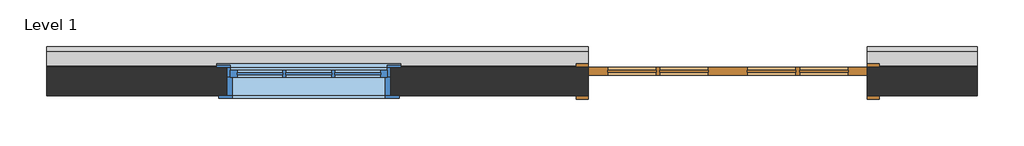
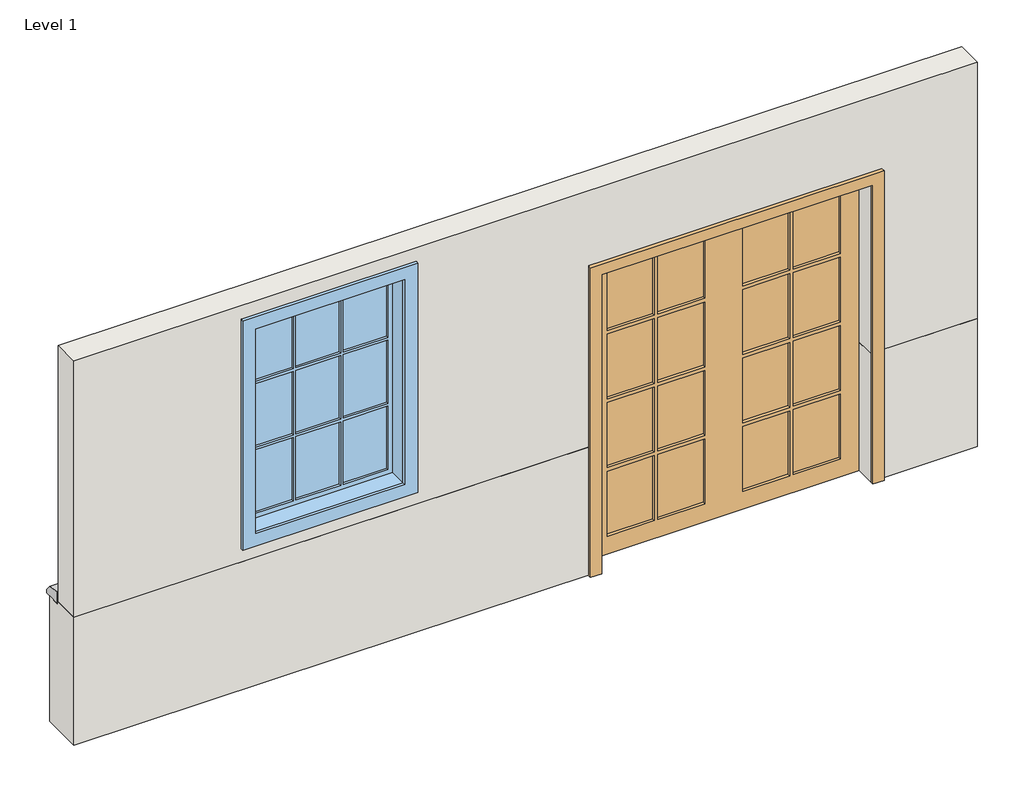
# One storey: 2 walls, 1 door, 1 proxy, 1 window.
"""IFC4 building model written with IfcOpenShell, lengths in millimetres."""

import ifcopenshell
import ifcopenshell.guid

model = None  # the IFC model being written
_history = None  # IfcOwnerHistory: only IFC2X3 demands one
_inside = {}  # id of a spatial element -> (the spatial element, [elements in it])
_under = {}  # id of a project, library or spatial element -> (it, [spatial elements below it])
_declared = {}  # id of a project -> (the project, [libraries it declares])
_typed = {}  # id of a type object -> (the type object, [elements of that type])
_made_of = {}  # id of a material, layer set ... -> (it, [elements and type objects made of it])


def new_model(schema):
    """Start an empty IFC model of exactly this schema.

    Asked for "IFC4X3", IfcOpenShell would pick the latest addendum, in which some entities
    have other attributes; the version numbers below select the first issue.
    IFC2X3 requires an IfcOwnerHistory on every rooted entity: one is made here for all.
    """
    global model, _history
    if schema == "IFC4X3":
        model = ifcopenshell.file(schema_version=(4, 3, 0, 0))
    else:
        model = ifcopenshell.file(schema=schema)
    _inside.clear()
    _under.clear()
    _declared.clear()
    _typed.clear()
    _made_of.clear()
    _history = None
    if model.schema == "IFC2X3":
        org = make("IfcOrganization", Name="unknown")
        user = make(
            "IfcPersonAndOrganization",
            ThePerson=make("IfcPerson", FamilyName="unknown"),
            TheOrganization=org,
        )
        app = make(
            "IfcApplication",
            ApplicationDeveloper=org,
            Version="unknown",
            ApplicationFullName="unknown",
            ApplicationIdentifier="unknown",
        )
        _history = make(
            "IfcOwnerHistory",
            OwningUser=user,
            OwningApplication=app,
            ChangeAction="ADDED",
            CreationDate=0,
        )
    return model


def make(cls, **values):
    """One entity of the class cls with the attributes given. An attribute that is None is left unset."""
    return model.create_entity(
        cls, **{name: value for name, value in values.items() if value is not None}
    )


def rooted(cls, **values):
    """An entity with a GlobalId (a new one), such as an element, a storey or a relation."""
    return make(cls, GlobalId=ifcopenshell.guid.new(), OwnerHistory=_history, **values)


def si_unit(unit_type, name, prefix=None):
    """IfcSIUnit, for example si_unit("LENGTHUNIT", "METRE", prefix="MILLI")."""
    return make("IfcSIUnit", UnitType=unit_type, Prefix=prefix, Name=name)


def assignment(units):
    """IfcUnitAssignment: the units of a project."""
    return None if units is None else make("IfcUnitAssignment", Units=units)


def point(xyz):
    """IfcCartesianPoint."""
    return None if xyz is None else make("IfcCartesianPoint", Coordinates=xyz)


def direction(xyz):
    """IfcDirection."""
    return None if xyz is None else make("IfcDirection", DirectionRatios=xyz)


def frame(location, z_axis=None, x_axis=None):
    """IfcAxis2Placement3D, a coordinate frame: its origin and axes. An axis left out is left unset."""
    return make(
        "IfcAxis2Placement3D",
        Location=point(location),
        Axis=direction(z_axis),
        RefDirection=direction(x_axis),
    )


def origin():
    """The frame at (0, 0, 0) with its axes left unset."""
    return frame((0.0, 0.0, 0.0))


def place(relative_to, where):
    """IfcLocalPlacement: puts the frame where relative to a parent placement (None: the world)."""
    return make(
        "IfcLocalPlacement", PlacementRelTo=relative_to, RelativePlacement=where
    )


def context(
    kind, dimensions, precision=None, world=None, true_north=None, identifier=None
):
    """IfcGeometricRepresentationContext, for example the 3D "Model" context."""
    return make(
        "IfcGeometricRepresentationContext",
        ContextIdentifier=identifier,
        ContextType=kind,
        CoordinateSpaceDimension=dimensions,
        Precision=precision,
        WorldCoordinateSystem=world,
        TrueNorth=true_north,
    )


def project(units=None, contexts=None):
    """IfcProject with its units and contexts."""
    return rooted(
        "IfcProject",
        Name="project",
        RepresentationContexts=contexts,
        UnitsInContext=assignment(units),
    )


def spatial(cls, under=None, at=None, **own):
    """A site, building, storey or space (cls), placed at a placement, below another one or the project."""
    s = rooted(cls, ObjectPlacement=at, **own)
    if under is not None:
        _under.setdefault(under.id(), (under, []))[1].append(s)
    return s


def polyline(points):
    """IfcPolyline through the points."""
    return make("IfcPolyline", Points=[point(p) for p in points])


def outline(outer, holes=None, kind="AREA"):
    """IfcArbitraryClosedProfileDef: a profile drawn as a closed curve; with holes, ...WithVoids."""
    if holes is None:
        return make("IfcArbitraryClosedProfileDef", ProfileType=kind, OuterCurve=outer)
    return make(
        "IfcArbitraryProfileDefWithVoids",
        ProfileType=kind,
        OuterCurve=outer,
        InnerCurves=holes,
    )


def extrude(swept, where, along, depth):
    """IfcExtrudedAreaSolid: the profile swept, set in the frame where, extruded along a direction by depth."""
    return make(
        "IfcExtrudedAreaSolid",
        SweptArea=swept,
        Position=where,
        ExtrudedDirection=direction(along),
        Depth=depth,
    )


def faces_of(points, faces, orient=None, outer=None):
    """IfcFace entities. A face is a list of loops; a loop is a list of indices into points, from 0.

    orient and outer hold one flag for each loop. By default every Orientation is true, the
    first loop of a face is its IfcFaceOuterBound and the others are IfcFaceBound.
    """
    made = []
    for i, loops in enumerate(faces):
        bounds = []
        for j, loop in enumerate(loops):
            is_outer = j == 0 if outer is None else outer[i][j]
            bounds.append(
                make(
                    "IfcFaceOuterBound" if is_outer else "IfcFaceBound",
                    Bound=make("IfcPolyLoop", Polygon=[points[k] for k in loop]),
                    Orientation=True if orient is None else orient[i][j],
                )
            )
        made.append(make("IfcFace", Bounds=bounds))
    return made


def faceted_brep(points, faces, orient=None, outer=None, voids=None):
    """IfcFacetedBrep: a solid bounded by flat faces; with voids (closed shells), ...WithVoids."""
    shared = [point(p) for p in points]
    hull = make("IfcClosedShell", CfsFaces=faces_of(shared, faces, orient, outer))
    if voids is None:
        return make("IfcFacetedBrep", Outer=hull)
    return make(
        "IfcFacetedBrepWithVoids",
        Outer=hull,
        Voids=[
            make(cls, CfsFaces=faces_of(shared, fs, o, b)) for cls, fs, o, b in voids
        ],
    )


def shape(context_of_items, identifier, shape_type, items):
    """IfcShapeRepresentation: the items that make up one representation, for example the "Body"."""
    return make(
        "IfcShapeRepresentation",
        ContextOfItems=context_of_items,
        RepresentationIdentifier=identifier,
        RepresentationType=shape_type,
        Items=items,
    )


def source(mapping_origin, context_of_items, identifier, shape_type, items):
    """IfcRepresentationMap: a shape defined once, which mapped items show again and again."""
    return make(
        "IfcRepresentationMap",
        MappingOrigin=mapping_origin,
        MappedRepresentation=shape(context_of_items, identifier, shape_type, items),
    )


def transform(
    local_origin,
    x_axis=None,
    y_axis=None,
    z_axis=None,
    scale=None,
    scale2=None,
    scale3=None,
    uniform=True,
):
    """IfcCartesianTransformationOperator3D, or its non-uniform kind. x_axis, y_axis, z_axis: its Axis1, 2, 3."""
    if uniform:
        return make(
            "IfcCartesianTransformationOperator3D",
            Axis1=direction(x_axis),
            Axis2=direction(y_axis),
            LocalOrigin=point(local_origin),
            Scale=scale,
            Axis3=direction(z_axis),
        )
    return make(
        "IfcCartesianTransformationOperator3DnonUniform",
        Axis1=direction(x_axis),
        Axis2=direction(y_axis),
        LocalOrigin=point(local_origin),
        Scale=scale,
        Axis3=direction(z_axis),
        Scale2=scale2,
        Scale3=scale3,
    )


def mapped(mapping_source, mapping_target):
    """IfcMappedItem: shows the shape of a source again, moved by a transform."""
    return make(
        "IfcMappedItem", MappingSource=mapping_source, MappingTarget=mapping_target
    )


def made_of(thing, what):
    """Note that an element or type object is made of a material, layer set ...; save() writes the relation."""
    if what is not None:
        _made_of.setdefault(what.id(), (what, []))[1].append(thing)
    return thing


def element(
    cls,
    number,
    at=None,
    inside=None,
    cuts=None,
    type_object=None,
    material=None,
    context=None,
    identifier="Body",
    shape_type=None,
    held_by="IfcProductDefinitionShape",
    body=None,
    shapes=None,
    **own,
):
    """One element of the class cls, such as IfcWall. Its Tag is "e" and its number.

    at: its placement. inside: the storey or other place that contains it. cuts: it is an
    opening in that element (IfcRelVoidsElement). A single representation is given by context,
    identifier, shape_type and body (its items); several are given by shapes. held_by: the class
    of the entity that holds the representations. save() writes the other relations.
    """
    e = rooted(cls, Tag="e%d" % number, ObjectPlacement=at, **own)
    if body is not None:
        shapes = [shape(context, identifier, shape_type, body)]
    if shapes is not None:
        e.Representation = make(held_by, Representations=shapes)
    if inside is not None:
        _inside.setdefault(inside.id(), (inside, []))[1].append(e)
    if cuts is not None:
        rooted(
            "IfcRelVoidsElement", RelatingBuildingElement=cuts, RelatedOpeningElement=e
        )
    if type_object is not None:
        _typed.setdefault(type_object.id(), (type_object, []))[1].append(e)
    return made_of(e, material)


def aggregate(whole, parts):
    """IfcRelAggregates: a whole, such as a stair, and the parts it consists of."""
    return rooted("IfcRelAggregates", RelatingObject=whole, RelatedObjects=parts)


def save(model, path):
    """Write the relations noted so far, then the file.

    IfcRelAggregates (storeys below a building ...), IfcRelContainedInSpatialStructure (elements
    in a storey), IfcRelDefinesByType, IfcRelAssociatesMaterial and IfcRelDeclares: one each for
    every whole, place, type object, material and project.
    """
    for whole, parts in _under.values():
        aggregate(whole, parts)
    for where, things in _inside.values():
        rooted(
            "IfcRelContainedInSpatialStructure",
            RelatedElements=things,
            RelatingStructure=where,
        )
    for kind, things in _typed.values():
        rooted("IfcRelDefinesByType", RelatedObjects=things, RelatingType=kind)
    for what, things in _made_of.values():
        rooted("IfcRelAssociatesMaterial", RelatedObjects=things, RelatingMaterial=what)
    for by, libraries in _declared.values():
        rooted("IfcRelDeclares", RelatingContext=by, RelatedDefinitions=libraries)
    model.write(path)


def door_effb5c51(model_context):
    return source(origin(), model_context, "Body", "SweptSolid", [
        extrude(outline(polyline([(469.9, -73.025), (469.9, -60.325), (787.4, -60.325), (787.4, -73.025), (469.9, -73.025)])), frame((0.0, 0.0, 1593.85), z_axis=(0.0, 0.0, 1.0), x_axis=(1.0, 0.0, 0.0)), (0.0, 0.0, 1.0), 463.55),
        extrude(outline(polyline([(127.0, -73.025), (127.0, -60.325), (444.5, -60.325), (444.5, -73.025), (127.0, -73.025)])), frame((0.0, 0.0, 1593.85), z_axis=(0.0, 0.0, 1.0), x_axis=(1.0, 0.0, 0.0)), (0.0, 0.0, 1.0), 463.55),
        extrude(outline(polyline([(-444.5, -73.025), (-444.5, -60.325), (-127.0, -60.325), (-127.0, -73.025), (-444.5, -73.025)])), frame((0.0, 0.0, 1593.85), z_axis=(0.0, 0.0, 1.0), x_axis=(1.0, 0.0, 0.0)), (0.0, 0.0, 1.0), 463.55),
        extrude(outline(polyline([(-787.4, -73.025), (-787.4, -60.325), (-469.9, -60.325), (-469.9, -73.025), (-787.4, -73.025)])), frame((0.0, 0.0, 1593.85), z_axis=(0.0, 0.0, 1.0), x_axis=(1.0, 0.0, 0.0)), (0.0, 0.0, 1.0), 463.55),
        extrude(outline(polyline([(-787.4, -73.025), (-787.4, -60.325), (-469.9, -60.325), (-469.9, -73.025), (-787.4, -73.025)])), frame((0.0, 0.0, 1104.9), z_axis=(0.0, 0.0, 1.0), x_axis=(1.0, 0.0, 0.0)), (0.0, 0.0, 1.0), 463.55),
        extrude(outline(polyline([(-444.5, -73.025), (-444.5, -60.325), (-127.0, -60.325), (-127.0, -73.025), (-444.5, -73.025)])), frame((0.0, 0.0, 1104.9), z_axis=(0.0, 0.0, 1.0), x_axis=(1.0, 0.0, 0.0)), (0.0, 0.0, 1.0), 463.55),
        extrude(outline(polyline([(127.0, -73.025), (127.0, -60.325), (444.5, -60.325), (444.5, -73.025), (127.0, -73.025)])), frame((0.0, 0.0, 1104.9), z_axis=(0.0, 0.0, 1.0), x_axis=(1.0, 0.0, 0.0)), (0.0, 0.0, 1.0), 463.55),
        extrude(outline(polyline([(469.9, -73.025), (469.9, -60.325), (787.4, -60.325), (787.4, -73.025), (469.9, -73.025)])), frame((0.0, 0.0, 1104.9), z_axis=(0.0, 0.0, 1.0), x_axis=(1.0, 0.0, 0.0)), (0.0, 0.0, 1.0), 463.55),
        extrude(outline(polyline([(469.9, -73.025), (469.9, -60.325), (787.4, -60.325), (787.4, -73.025), (469.9, -73.025)])), frame((0.0, 0.0, 615.95), z_axis=(0.0, 0.0, 1.0), x_axis=(1.0, 0.0, 0.0)), (0.0, 0.0, 1.0), 463.55),
        extrude(outline(polyline([(127.0, -73.025), (127.0, -60.325), (444.5, -60.325), (444.5, -73.025), (127.0, -73.025)])), frame((0.0, 0.0, 615.95), z_axis=(0.0, 0.0, 1.0), x_axis=(1.0, 0.0, 0.0)), (0.0, 0.0, 1.0), 463.55),
        extrude(outline(polyline([(-444.5, -73.025), (-444.5, -60.325), (-127.0, -60.325), (-127.0, -73.025), (-444.5, -73.025)])), frame((0.0, 0.0, 615.95), z_axis=(0.0, 0.0, 1.0), x_axis=(1.0, 0.0, 0.0)), (0.0, 0.0, 1.0), 463.55),
        extrude(outline(polyline([(-787.4, -73.025), (-787.4, -60.325), (-469.9, -60.325), (-469.9, -73.025), (-787.4, -73.025)])), frame((0.0, 0.0, 615.95), z_axis=(0.0, 0.0, 1.0), x_axis=(1.0, 0.0, 0.0)), (0.0, 0.0, 1.0), 463.55),
        extrude(outline(polyline([(469.9, -73.025), (469.9, -60.325), (787.4, -60.325), (787.4, -73.025), (469.9, -73.025)])), frame((0.0, 0.0, 127.0), z_axis=(0.0, 0.0, 1.0), x_axis=(1.0, 0.0, 0.0)), (0.0, 0.0, 1.0), 463.55),
        extrude(outline(polyline([(127.0, -73.025), (127.0, -60.325), (444.5, -60.325), (444.5, -73.025), (127.0, -73.025)])), frame((0.0, 0.0, 127.0), z_axis=(0.0, 0.0, 1.0), x_axis=(1.0, 0.0, 0.0)), (0.0, 0.0, 1.0), 463.55),
        extrude(outline(polyline([(-444.5, -73.025), (-444.5, -60.325), (-127.0, -60.325), (-127.0, -73.025), (-444.5, -73.025)])), frame((0.0, 0.0, 127.0), z_axis=(0.0, 0.0, 1.0), x_axis=(1.0, 0.0, 0.0)), (0.0, 0.0, 1.0), 463.55),
        extrude(outline(polyline([(-787.4, -73.025), (-787.4, -60.325), (-469.9, -60.325), (-469.9, -73.025), (-787.4, -73.025)])), frame((0.0, 0.0, 127.0), z_axis=(0.0, 0.0, 1.0), x_axis=(1.0, 0.0, 0.0)), (0.0, 0.0, 1.0), 463.55),
        extrude(outline(polyline([(2133.6, 0.0), (2133.6, -914.4), (0.0, -914.4), (0.0, 0.0), (0.0, 914.4), (2133.6, 914.4), (2133.6, 0.0)]), holes=[polyline([(2057.4, 469.9), (2057.4, 787.4), (1593.85, 787.4), (1593.85, 469.9), (2057.4, 469.9)]), polyline([(2057.4, 127.0), (2057.4, 444.5), (1593.85, 444.5), (1593.85, 127.0), (2057.4, 127.0)]), polyline([(1568.45, 469.9), (1568.45, 787.4), (1104.9, 787.4), (1104.9, 469.9), (1568.45, 469.9)]), polyline([(1568.45, 127.0), (1568.45, 444.5), (1104.9, 444.5), (1104.9, 127.0), (1568.45, 127.0)]), polyline([(1079.5, 469.9), (1079.5, 787.4), (615.95, 787.4), (615.95, 469.9), (1079.5, 469.9)]), polyline([(1079.5, 127.0), (1079.5, 444.5), (615.95, 444.5), (615.95, 127.0), (1079.5, 127.0)]), polyline([(590.55, 469.9), (590.55, 787.4), (127.0, 787.4), (127.0, 469.9), (590.55, 469.9)]), polyline([(590.55, 127.0), (590.55, 444.5), (127.0, 444.5), (127.0, 127.0), (590.55, 127.0)]), polyline([(2057.4, -444.5), (2057.4, -127.0), (1593.85, -127.0), (1593.85, -444.5), (2057.4, -444.5)]), polyline([(1568.45, -444.5), (1568.45, -127.0), (1104.9, -127.0), (1104.9, -444.5), (1568.45, -444.5)]), polyline([(1568.45, -469.9), (1104.9, -469.9), (1104.9, -787.4), (1568.45, -787.4), (1568.45, -469.9)]), polyline([(1079.5, -444.5), (1079.5, -127.0), (615.95, -127.0), (615.95, -444.5), (1079.5, -444.5)]), polyline([(1079.5, -469.9), (615.95, -469.9), (615.95, -787.4), (1079.5, -787.4), (1079.5, -469.9)]), polyline([(590.55, -444.5), (590.55, -127.0), (127.0, -127.0), (127.0, -444.5), (590.55, -444.5)]), polyline([(590.55, -787.4), (590.55, -469.9), (127.0, -469.9), (127.0, -787.4), (590.55, -787.4)]), polyline([(1593.85, -469.9), (1593.85, -787.4), (2057.4, -787.4), (2057.4, -469.9), (1593.85, -469.9)])]), frame((0.0, -92.075, 0.0), z_axis=(0.0, 1.0, 0.0), x_axis=(0.0, 0.0, 1.0)), (0.0, 0.0, 1.0), 50.8),
        extrude(outline(polyline([(2133.6, -914.4), (2133.6, 914.4), (0.0, 914.4), (0.0, 990.6), (2209.8, 990.6), (2209.8, -990.6), (0.0, -990.6), (0.0, -914.4), (2133.6, -914.4)])), frame((0.0, 92.075, 0.0), z_axis=(0.0, 1.0, 0.0), x_axis=(0.0, 0.0, 1.0)), (0.0, 0.0, 1.0), 25.4),
        extrude(outline(polyline([(2133.6, -914.4), (2133.6, 914.4), (0.0, 914.4), (0.0, 990.6), (2209.8, 990.6), (2209.8, -990.6), (0.0, -990.6), (0.0, -914.4), (2133.6, -914.4)])), frame((0.0, -117.475, 0.0), z_axis=(0.0, 1.0, 0.0), x_axis=(0.0, 0.0, 1.0)), (0.0, 0.0, 1.0), 25.4),
    ])


def window_b8ba9bb9(model_context):
    return source(origin(), model_context, "Body", "SweptSolid", [
        extrude(outline(polyline([(-603.25, -117.475), (-603.25, -92.075), (603.25, -92.075), (603.25, -117.475), (-603.25, -117.475)])), frame((0.0, 0.0, 609.6), z_axis=(0.0, 0.0, 1.0), x_axis=(1.0, 0.0, 0.0)), (0.0, 0.0, 1.0), 19.05),
        extrude(outline(polyline([(2114.55, -514.35), (2114.55, 514.35), (628.65, 514.35), (628.65, 603.25), (2203.45, 603.25), (2203.45, -603.25), (628.65, -603.25), (628.65, -514.35), (2114.55, -514.35)])), frame((0.0, -104.775, 0.0), z_axis=(0.0, 1.0, 0.0), x_axis=(0.0, 0.0, 1.0)), (0.0, 0.0, 1.0), 12.7),
        extrude(outline(polyline([(169.3333333, -57.15), (169.3333333, -44.45), (469.9, -44.45), (469.9, -57.15), (169.3333333, -57.15)])), frame((0.0, 0.0, 1617.1333333), z_axis=(0.0, 0.0, 1.0), x_axis=(1.0, 0.0, 0.0)), (0.0, 0.0, 1.0), 452.9666667),
        extrude(outline(polyline([(-150.2833333, -57.15), (-150.2833333, -44.45), (150.2833333, -44.45), (150.2833333, -57.15), (-150.2833333, -57.15)])), frame((0.0, 0.0, 1617.1333333), z_axis=(0.0, 0.0, 1.0), x_axis=(1.0, 0.0, 0.0)), (0.0, 0.0, 1.0), 452.9666667),
        extrude(outline(polyline([(-469.9, -57.15), (-469.9, -44.45), (-169.3333333, -44.45), (-169.3333333, -57.15), (-469.9, -57.15)])), frame((0.0, 0.0, 1617.1333333), z_axis=(0.0, 0.0, 1.0), x_axis=(1.0, 0.0, 0.0)), (0.0, 0.0, 1.0), 452.9666667),
        extrude(outline(polyline([(-469.9, -57.15), (-469.9, -44.45), (-169.3333333, -44.45), (-169.3333333, -57.15), (-469.9, -57.15)])), frame((0.0, 0.0, 1145.1166667), z_axis=(0.0, 0.0, 1.0), x_axis=(1.0, 0.0, 0.0)), (0.0, 0.0, 1.0), 452.9666667),
        extrude(outline(polyline([(-150.2833333, -57.15), (-150.2833333, -44.45), (150.2833333, -44.45), (150.2833333, -57.15), (-150.2833333, -57.15)])), frame((0.0, 0.0, 1145.1166667), z_axis=(0.0, 0.0, 1.0), x_axis=(1.0, 0.0, 0.0)), (0.0, 0.0, 1.0), 452.9666667),
        extrude(outline(polyline([(169.3333333, -57.15), (169.3333333, -44.45), (469.9, -44.45), (469.9, -57.15), (169.3333333, -57.15)])), frame((0.0, 0.0, 1145.1166667), z_axis=(0.0, 0.0, 1.0), x_axis=(1.0, 0.0, 0.0)), (0.0, 0.0, 1.0), 452.9666667),
        extrude(outline(polyline([(169.3333333, -57.15), (169.3333333, -44.45), (469.9, -44.45), (469.9, -57.15), (169.3333333, -57.15)])), frame((0.0, 0.0, 673.1), z_axis=(0.0, 0.0, 1.0), x_axis=(1.0, 0.0, 0.0)), (0.0, 0.0, 1.0), 452.9666667),
        extrude(outline(polyline([(-150.2833333, -57.15), (-150.2833333, -44.45), (150.2833333, -44.45), (150.2833333, -57.15), (-150.2833333, -57.15)])), frame((0.0, 0.0, 673.1), z_axis=(0.0, 0.0, 1.0), x_axis=(1.0, 0.0, 0.0)), (0.0, 0.0, 1.0), 452.9666667),
        extrude(outline(polyline([(-469.9, -57.15), (-469.9, -44.45), (-169.3333333, -44.45), (-169.3333333, -57.15), (-469.9, -57.15)])), frame((0.0, 0.0, 673.1), z_axis=(0.0, 0.0, 1.0), x_axis=(1.0, 0.0, 0.0)), (0.0, 0.0, 1.0), 452.9666667),
        extrude(outline(polyline([(2190.75, 590.55), (2190.75, -590.55), (552.45, -590.55), (552.45, 590.55), (2190.75, 590.55)]), holes=[polyline([(2101.85, 501.65), (641.35, 501.65), (641.35, -501.65), (2101.85, -501.65), (2101.85, 501.65)])]), frame((0.0, 92.075, 0.0), z_axis=(0.0, 1.0, 0.0), x_axis=(0.0, 0.0, 1.0)), (0.0, 0.0, 1.0), 19.05),
        extrude(outline(polyline([(2114.55, -514.35), (628.65, -514.35), (628.65, 514.35), (2114.55, 514.35), (2114.55, -514.35)]), holes=[polyline([(2070.1, -169.3333333), (1617.1333333, -169.3333333), (1617.1333333, -469.9), (2070.1, -469.9), (2070.1, -169.3333333)]), polyline([(1598.0833333, -169.3333333), (1145.1166667, -169.3333333), (1145.1166667, -469.9), (1598.0833333, -469.9), (1598.0833333, -169.3333333)]), polyline([(1126.0666667, -169.3333333), (673.1, -169.3333333), (673.1, -469.9), (1126.0666667, -469.9), (1126.0666667, -169.3333333)]), polyline([(2070.1, 150.2833333), (1617.1333333, 150.2833333), (1617.1333333, -150.2833333), (2070.1, -150.2833333), (2070.1, 150.2833333)]), polyline([(1598.0833333, 150.2833333), (1145.1166667, 150.2833333), (1145.1166667, -150.2833333), (1598.0833333, -150.2833333), (1598.0833333, 150.2833333)]), polyline([(1126.0666667, 150.2833333), (673.1, 150.2833333), (673.1, -150.2833333), (1126.0666667, -150.2833333), (1126.0666667, 150.2833333)]), polyline([(2070.1, 469.9), (1617.1333333, 469.9), (1617.1333333, 169.3333333), (2070.1, 169.3333333), (2070.1, 469.9)]), polyline([(1598.0833333, 469.9), (1145.1166667, 469.9), (1145.1166667, 169.3333333), (1598.0833333, 169.3333333), (1598.0833333, 469.9)]), polyline([(1126.0666667, 469.9), (673.1, 469.9), (673.1, 169.3333333), (1126.0666667, 169.3333333), (1126.0666667, 469.9)])]), frame((0.0, -73.025, 0.0), z_axis=(0.0, 1.0, 0.0), x_axis=(0.0, 0.0, 1.0)), (0.0, 0.0, 1.0), 44.45),
        extrude(outline(polyline([(2133.6, -533.4), (609.6, -533.4), (609.6, 533.4), (2133.6, 533.4), (2133.6, -533.4)]), holes=[polyline([(2101.85, -501.65), (2101.85, 501.65), (641.35, 501.65), (641.35, -501.65), (2101.85, -501.65)])]), frame((0.0, -28.575, 0.0), z_axis=(0.0, 1.0, 0.0), x_axis=(0.0, 0.0, 1.0)), (0.0, 0.0, 1.0), 120.65),
        extrude(outline(polyline([(2133.6, 533.4), (2133.6, -533.4), (609.6, -533.4), (609.6, 533.4), (2133.6, 533.4)]), holes=[polyline([(2114.55, 514.35), (628.65, 514.35), (628.65, -514.35), (2114.55, -514.35), (2114.55, 514.35)])]), frame((0.0, -92.075, 0.0), z_axis=(0.0, 1.0, 0.0), x_axis=(0.0, 0.0, 1.0)), (0.0, 0.0, 1.0), 63.5),
    ])


model = new_model("IFC4")

# Units and contexts
model_context = context("Model", 3, world=origin())
ifc_project = project(units=[si_unit("LENGTHUNIT", "METRE", prefix="MILLI")], contexts=[model_context])

# Site, building, storey
site = spatial("IfcSite", under=ifc_project)
building = spatial("IfcBuilding", under=site)
storey = spatial("IfcBuildingStorey", under=building, Name="Level 1", Elevation=0.0)

# Proxy
placement = place(None, origin())
element("IfcBuildingElementProxy", 1, Name="Wall Sweeps", at=placement, inside=storey, context=model_context, shape_type="Brep", body=[
    faceted_brep([(1493.6673166, 136.5007904, 978.1957473), (1493.6673166, 136.5007904, 914.4), (1493.6673166, 136.5007904, 893.7625), (1493.6673166, 228.5757904, 893.7625), (1493.6673166, 263.5007904, 893.7625), (1493.6673166, 263.5007904, 919.1625), (1493.6673166, 228.5757904, 963.6125), (772.9423166, 136.5007904, 978.1957473), (772.9423166, 136.5007904, 914.4), (772.9423166, 136.5007904, 893.7625), (772.9423166, 228.5757904, 893.7625), (772.9423166, 263.5007904, 893.7625), (772.9423166, 263.5007904, 919.1625), (772.9423166, 228.5757904, 963.6125)], [[[0, 1, 2, 3, 4, 5, 6]], [[2, 1, 0, 7, 8, 9]], [[4, 3, 2, 9, 10, 11]], [[5, 4, 11, 12]], [[6, 5, 12, 13]], [[0, 6, 13, 7]], [[9, 8, 7, 13, 12, 11, 10]]]),
    faceted_brep([(-4602.3326834, 136.5007904, 893.7625), (-4602.3326834, 136.5007904, 914.4), (-4602.3326834, 136.5007904, 978.1957473), (-4602.3326834, 228.5757904, 963.6125), (-4602.3326834, 263.5007904, 919.1625), (-4602.3326834, 263.5007904, 893.7625), (-4602.3326834, 228.5757904, 893.7625), (-1055.8576834, 136.5007904, 893.7625), (-1055.8576834, 136.5007904, 914.4), (-1055.8576834, 136.5007904, 978.1957473), (-1055.8576834, 263.5007904, 893.7625), (-1055.8576834, 228.5757904, 893.7625), (-1055.8576834, 263.5007904, 919.1625), (-1055.8576834, 228.5757904, 963.6125)], [[[0, 1, 2, 3, 4, 5, 6]], [[2, 1, 0, 7, 8, 9]], [[0, 6, 5, 10, 11, 7]], [[5, 4, 12, 10]], [[4, 3, 13, 12]], [[3, 2, 9, 13]], [[9, 8, 7, 11, 10, 12, 13]]]),
])

# Door
door_shape = door_effb5c51(model_context)
element("IfcDoor", 2, ObjectType="Double-Glass 2 : 72\" x 84\"", at=placement, inside=storey, context=model_context, shape_type="MappedRepresentation", body=[
    mapped(door_shape, transform((-141.4576834, 34.9007904, 0.0), x_axis=(-1.0, 0.0, 0.0), y_axis=(0.0, -1.0, 0.0), z_axis=(0.0, 0.0, 1.0))),
])

# Walls
element("IfcWall", 3, at=placement, inside=storey, context=model_context, shape_type="Brep", body=[
    faceted_brep([(-1055.8576834, 228.5757904, 0.0), (-4602.3326834, 228.5757904, 0.0), (-4602.3326834, 228.5757904, 893.7625), (-1055.8576834, 228.5757904, 893.7625), (-4602.3326834, -57.1742096, 914.4), (-4602.3326834, -57.1742096, 0.0), (-1055.8576834, -57.1742096, 0.0), (-1055.8576834, -57.1742096, 914.4), (-4602.3326834, 126.9757904, 914.4), (-4602.3326834, 136.5007904, 914.4), (-4602.3326834, 136.5007904, 893.7625), (-1055.8576834, 126.9757904, 914.4), (-1055.8576834, 136.5007904, 914.4), (-1055.8576834, 136.5007904, 893.7625)], [[[0, 1, 2, 3]], [[4, 5, 6, 7]], [[5, 1, 0, 6]], [[5, 4, 8, 9, 10, 2, 1]], [[4, 7, 11, 12, 9, 8]], [[7, 6, 0, 3, 13, 12, 11]], [[13, 10, 9, 12]], [[10, 13, 3, 2]]]),
    faceted_brep([(1493.6673166, 228.5757904, 0.0), (772.9423166, 228.5757904, 0.0), (772.9423166, 228.5757904, 893.7625), (1493.6673166, 228.5757904, 893.7625), (1493.6673166, -57.1742096, 0.0), (1493.6673166, -57.1742096, 914.4), (772.9423166, -57.1742096, 914.4), (772.9423166, -57.1742096, 0.0), (1493.6673166, 126.9757904, 914.4), (1493.6673166, 136.5007904, 914.4), (772.9423166, 136.5007904, 914.4), (772.9423166, 126.9757904, 914.4), (1493.6673166, 136.5007904, 893.7625), (772.9423166, 136.5007904, 893.7625)], [[[0, 1, 2, 3]], [[4, 5, 6, 7]], [[0, 4, 7, 1]], [[6, 5, 8, 9, 10, 11]], [[5, 4, 0, 3, 12, 9, 8]], [[7, 6, 11, 10, 13, 2, 1]], [[12, 13, 10, 9]], [[13, 12, 3, 2]]]),
])
element("IfcWall", 4, ObjectType="Exterior - PLASTER on Wood Stud", at=placement, inside=storey, context=model_context, shape_type="SweptSolid", body=[
    extrude(outline(polyline([(2743.2, -4602.3326834), (914.4, -4602.3326834), (914.4, -1055.8576834), (2133.6, -1055.8576834), (2133.6, 772.9423166), (914.4, 772.9423166), (914.4, 1493.6673166), (2743.2, 1493.6673166), (2743.2, -4602.3326834)]), holes=[polyline([(1066.8, -3418.0576834), (2590.8, -3418.0576834), (2590.8, -2351.2576834), (1066.8, -2351.2576834), (1066.8, -3418.0576834)])]), frame((0.0, -57.1742096, 0.0), z_axis=(0.0, 1.0, 0.0), x_axis=(0.0, 0.0, 1.0)), (0.0, 0.0, 1.0), 184.15),
])

# Window
window_shape = window_b8ba9bb9(model_context)
element("IfcWindow", 5, ObjectType="Casement 3x3 with Trim : 42\" x 60\"", at=placement, inside=storey, context=model_context, shape_type="MappedRepresentation", body=[
    mapped(window_shape, transform((-2884.6576834, 34.9007904, 457.2), x_axis=(-1.0, 0.0, 0.0), y_axis=(0.0, -1.0, 0.0), z_axis=(0.0, 0.0, 1.0))),
])

save(model, "model.ifc")
